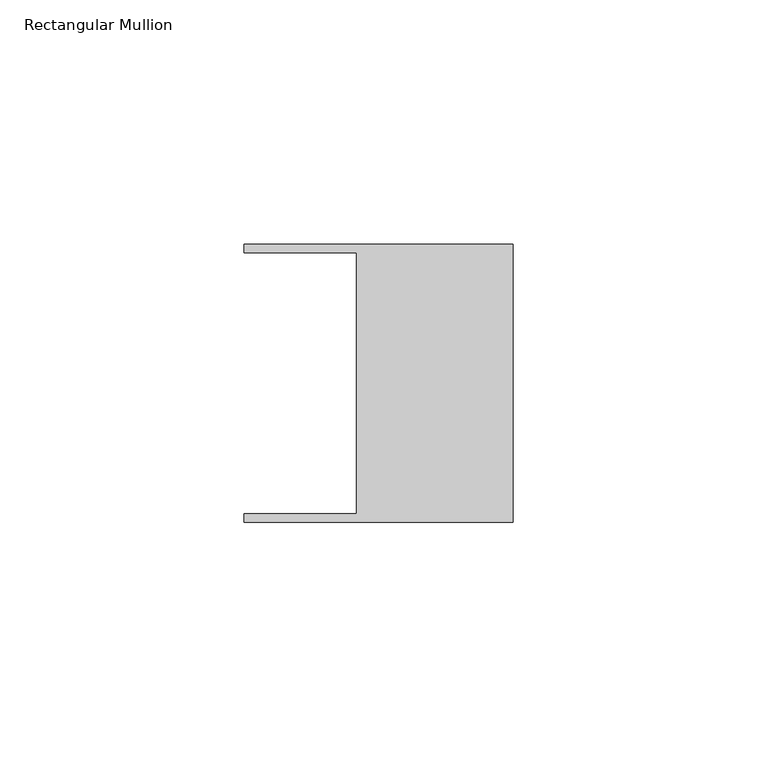
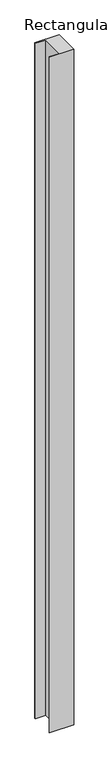
"""IFC4 building model written with IfcOpenShell, lengths in millimetres: member geometry, Rectangular Mullion."""

from ifc_helpers import new_model, si_unit, frame, origin, place, context, project, spatial, polyline, outline, extrude, source, transform, mapped, element, save


def rectangular_mullion_715c00de(model_context):
    return source(origin(), model_context, "Body", "SweptSolid", [
        extrude(outline(polyline([(-32.004, -26.67), (-32.004, 26.67), (-54.991, 26.67), (-54.991, 28.448), (0.0, 28.448), (0.0, -28.448), (-54.991, -28.448), (-54.991, -26.67), (-32.004, -26.67)])), frame((0.0, 0.0, -1612.0010148), z_axis=(0.0, 0.0, 1.0), x_axis=(1.0, 0.0, 0.0)), (0.0, 0.0, 1.0), 1612.0010148),
    ])


if __name__ == "__main__":
    model = new_model("IFC4")
    model_context = context("Model", 3, world=origin())
    ifc_project = project(units=[si_unit("LENGTHUNIT", "METRE", prefix="MILLI")], contexts=[model_context])
    site = spatial("IfcSite", under=ifc_project)
    building = spatial("IfcBuilding", under=site)
    placement = place(None, origin())
    rectangular_mullion_shape = rectangular_mullion_715c00de(model_context)
    element("IfcMember", 1, ObjectType="Rectangular Mullion", at=placement, inside=building, context=model_context, shape_type="MappedRepresentation", body=[
        mapped(rectangular_mullion_shape, transform((0.0, 0.0, 0.0), x_axis=(1.0, 0.0, 0.0), y_axis=(0.0, 1.0, 0.0), z_axis=(0.0, 0.0, 1.0))),
    ])
    save(model, "model.ifc")
